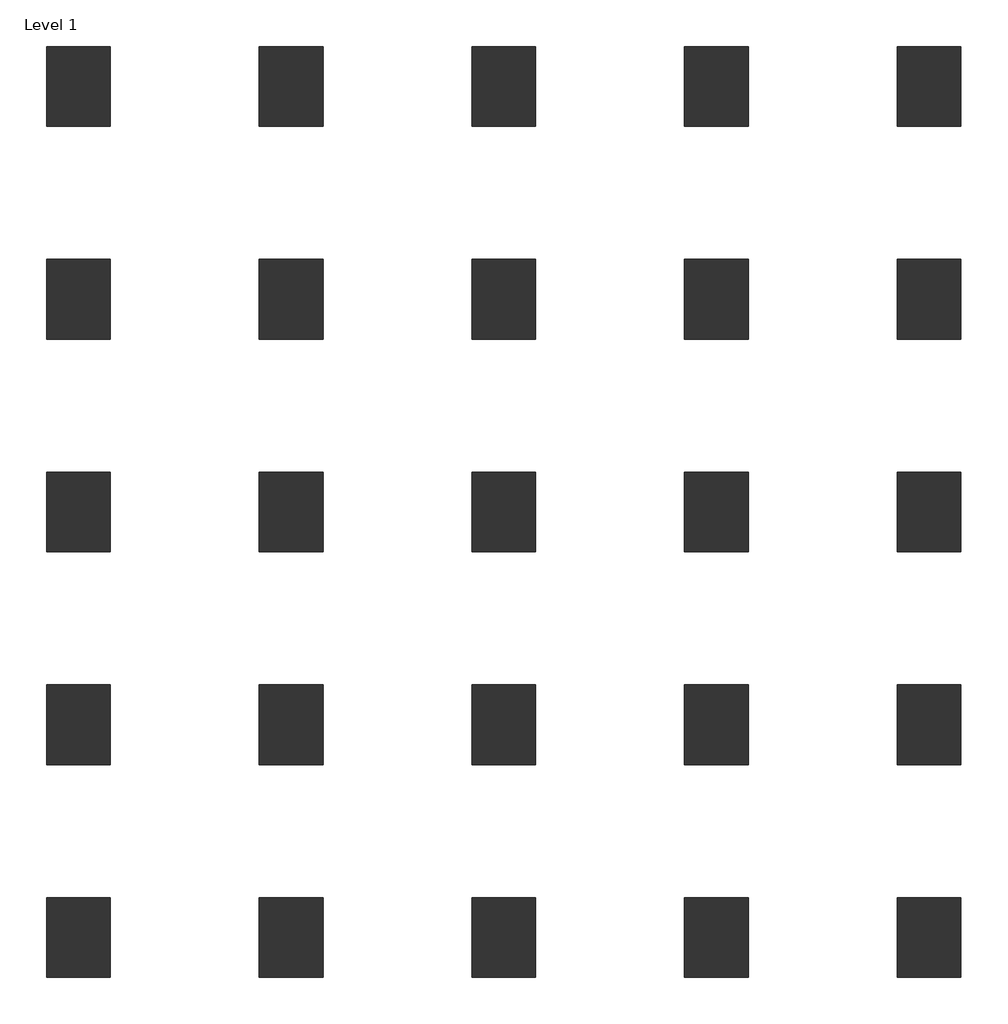
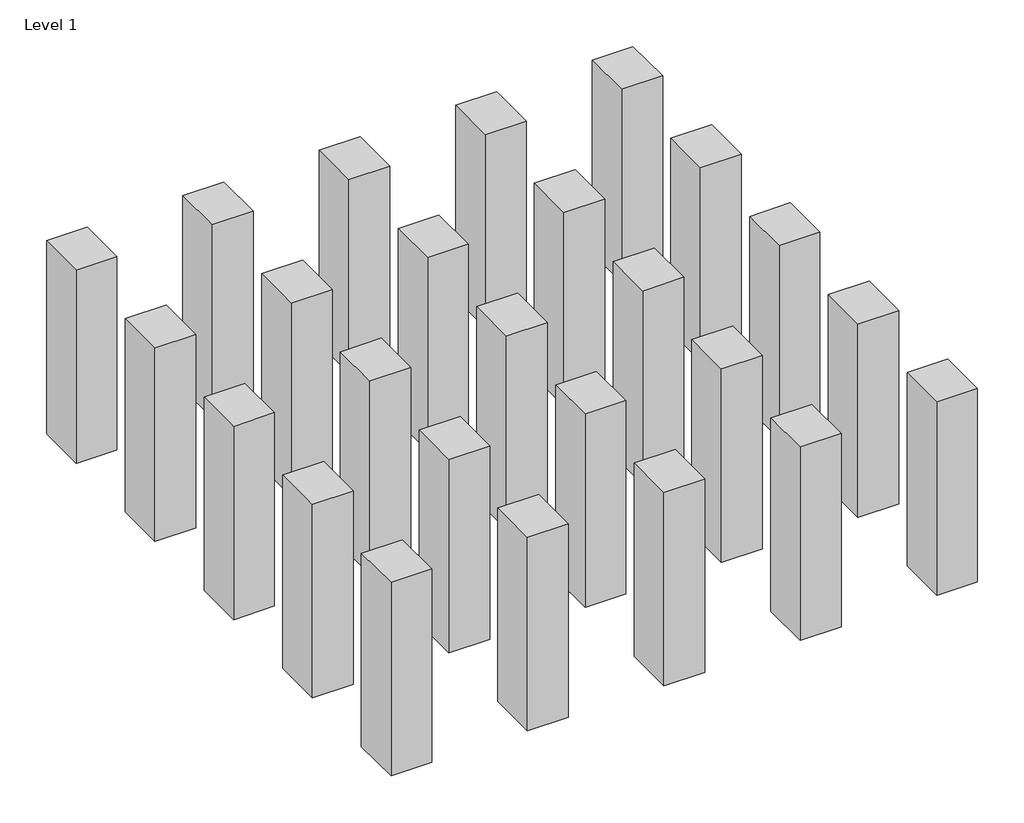
# One storey: 25 columns.
"""IFC4 building model written with IfcOpenShell, lengths in millimetres."""

from ifc_helpers import new_model, si_unit, origin, origin_with_axes, place, context, project, spatial, polyline, outline, extrude, element, save

model = new_model("IFC4")

# Units and contexts
model_context = context("Model", 3, world=origin())
ifc_project = project(units=[si_unit("LENGTHUNIT", "METRE", prefix="MILLI")], contexts=[model_context])

# Site, building, storey
site = spatial("IfcSite", under=ifc_project)
building = spatial("IfcBuilding", under=site)
storey = spatial("IfcBuildingStorey", under=building, Name="Level 1", Elevation=0.0)

# Columns
placement = place(None, origin())
element("IfcColumn", 1, ObjectType="M_Concrete-Rectangular-Column : 600 x 750mm", at=placement, inside=storey, context=model_context, shape_type="SweptSolid", body=[
    extrude(outline(polyline([(600.0, 8750.0), (600.0, 8000.0), (0.0, 8000.0), (0.0, 8750.0), (600.0, 8750.0)])), origin_with_axes(), (0.0, 0.0, 1.0), 3000.0),
])
element("IfcColumn", 2, ObjectType="M_Concrete-Rectangular-Column : 600 x 750mm", at=placement, inside=storey, context=model_context, shape_type="SweptSolid", body=[
    extrude(outline(polyline([(2600.0, 8750.0), (2600.0, 8000.0), (2000.0, 8000.0), (2000.0, 8750.0), (2600.0, 8750.0)])), origin_with_axes(), (0.0, 0.0, 1.0), 3000.0),
])
element("IfcColumn", 3, ObjectType="M_Concrete-Rectangular-Column : 600 x 750mm", at=placement, inside=storey, context=model_context, shape_type="SweptSolid", body=[
    extrude(outline(polyline([(4600.0, 8750.0), (4600.0, 8000.0), (4000.0, 8000.0), (4000.0, 8750.0), (4600.0, 8750.0)])), origin_with_axes(), (0.0, 0.0, 1.0), 3000.0),
])
element("IfcColumn", 4, ObjectType="M_Concrete-Rectangular-Column : 600 x 750mm", at=placement, inside=storey, context=model_context, shape_type="SweptSolid", body=[
    extrude(outline(polyline([(6600.0, 8750.0), (6600.0, 8000.0), (6000.0, 8000.0), (6000.0, 8750.0), (6600.0, 8750.0)])), origin_with_axes(), (0.0, 0.0, 1.0), 3000.0),
])
element("IfcColumn", 5, ObjectType="M_Concrete-Rectangular-Column : 600 x 750mm", at=placement, inside=storey, context=model_context, shape_type="SweptSolid", body=[
    extrude(outline(polyline([(8600.0, 8750.0), (8600.0, 8000.0), (8000.0, 8000.0), (8000.0, 8750.0), (8600.0, 8750.0)])), origin_with_axes(), (0.0, 0.0, 1.0), 3000.0),
])
element("IfcColumn", 6, ObjectType="M_Concrete-Rectangular-Column : 600 x 750mm", at=placement, inside=storey, context=model_context, shape_type="SweptSolid", body=[
    extrude(outline(polyline([(600.0, 6750.0), (600.0, 6000.0), (0.0, 6000.0), (0.0, 6750.0), (600.0, 6750.0)])), origin_with_axes(), (0.0, 0.0, 1.0), 3000.0),
])
element("IfcColumn", 7, ObjectType="M_Concrete-Rectangular-Column : 600 x 750mm", at=placement, inside=storey, context=model_context, shape_type="SweptSolid", body=[
    extrude(outline(polyline([(2600.0, 6750.0), (2600.0, 6000.0), (2000.0, 6000.0), (2000.0, 6750.0), (2600.0, 6750.0)])), origin_with_axes(), (0.0, 0.0, 1.0), 3000.0),
])
element("IfcColumn", 8, ObjectType="M_Concrete-Rectangular-Column : 600 x 750mm", at=placement, inside=storey, context=model_context, shape_type="SweptSolid", body=[
    extrude(outline(polyline([(4600.0, 6750.0), (4600.0, 6000.0), (4000.0, 6000.0), (4000.0, 6750.0), (4600.0, 6750.0)])), origin_with_axes(), (0.0, 0.0, 1.0), 3000.0),
])
element("IfcColumn", 9, ObjectType="M_Concrete-Rectangular-Column : 600 x 750mm", at=placement, inside=storey, context=model_context, shape_type="SweptSolid", body=[
    extrude(outline(polyline([(6600.0, 6750.0), (6600.0, 6000.0), (6000.0, 6000.0), (6000.0, 6750.0), (6600.0, 6750.0)])), origin_with_axes(), (0.0, 0.0, 1.0), 3000.0),
])
element("IfcColumn", 10, ObjectType="M_Concrete-Rectangular-Column : 600 x 750mm", at=placement, inside=storey, context=model_context, shape_type="SweptSolid", body=[
    extrude(outline(polyline([(8600.0, 6750.0), (8600.0, 6000.0), (8000.0, 6000.0), (8000.0, 6750.0), (8600.0, 6750.0)])), origin_with_axes(), (0.0, 0.0, 1.0), 3000.0),
])
element("IfcColumn", 11, ObjectType="M_Concrete-Rectangular-Column : 600 x 750mm", at=placement, inside=storey, context=model_context, shape_type="SweptSolid", body=[
    extrude(outline(polyline([(600.0, 4750.0), (600.0, 4000.0), (0.0, 4000.0), (0.0, 4750.0), (600.0, 4750.0)])), origin_with_axes(), (0.0, 0.0, 1.0), 3000.0),
])
element("IfcColumn", 12, ObjectType="M_Concrete-Rectangular-Column : 600 x 750mm", at=placement, inside=storey, context=model_context, shape_type="SweptSolid", body=[
    extrude(outline(polyline([(2600.0, 4750.0), (2600.0, 4000.0), (2000.0, 4000.0), (2000.0, 4750.0), (2600.0, 4750.0)])), origin_with_axes(), (0.0, 0.0, 1.0), 3000.0),
])
element("IfcColumn", 13, ObjectType="M_Concrete-Rectangular-Column : 600 x 750mm", at=placement, inside=storey, context=model_context, shape_type="SweptSolid", body=[
    extrude(outline(polyline([(4600.0, 4750.0), (4600.0, 4000.0), (4000.0, 4000.0), (4000.0, 4750.0), (4600.0, 4750.0)])), origin_with_axes(), (0.0, 0.0, 1.0), 3000.0),
])
element("IfcColumn", 14, ObjectType="M_Concrete-Rectangular-Column : 600 x 750mm", at=placement, inside=storey, context=model_context, shape_type="SweptSolid", body=[
    extrude(outline(polyline([(6600.0, 4750.0), (6600.0, 4000.0), (6000.0, 4000.0), (6000.0, 4750.0), (6600.0, 4750.0)])), origin_with_axes(), (0.0, 0.0, 1.0), 3000.0),
])
element("IfcColumn", 15, ObjectType="M_Concrete-Rectangular-Column : 600 x 750mm", at=placement, inside=storey, context=model_context, shape_type="SweptSolid", body=[
    extrude(outline(polyline([(8600.0, 4750.0), (8600.0, 4000.0), (8000.0, 4000.0), (8000.0, 4750.0), (8600.0, 4750.0)])), origin_with_axes(), (0.0, 0.0, 1.0), 3000.0),
])
element("IfcColumn", 16, ObjectType="M_Concrete-Rectangular-Column : 600 x 750mm", at=placement, inside=storey, context=model_context, shape_type="SweptSolid", body=[
    extrude(outline(polyline([(600.0, 2750.0), (600.0, 2000.0), (0.0, 2000.0), (0.0, 2750.0), (600.0, 2750.0)])), origin_with_axes(), (0.0, 0.0, 1.0), 3000.0),
])
element("IfcColumn", 17, ObjectType="M_Concrete-Rectangular-Column : 600 x 750mm", at=placement, inside=storey, context=model_context, shape_type="SweptSolid", body=[
    extrude(outline(polyline([(2600.0, 2750.0), (2600.0, 2000.0), (2000.0, 2000.0), (2000.0, 2750.0), (2600.0, 2750.0)])), origin_with_axes(), (0.0, 0.0, 1.0), 3000.0),
])
element("IfcColumn", 18, ObjectType="M_Concrete-Rectangular-Column : 600 x 750mm", at=placement, inside=storey, context=model_context, shape_type="SweptSolid", body=[
    extrude(outline(polyline([(4600.0, 2750.0), (4600.0, 2000.0), (4000.0, 2000.0), (4000.0, 2750.0), (4600.0, 2750.0)])), origin_with_axes(), (0.0, 0.0, 1.0), 3000.0),
])
element("IfcColumn", 19, ObjectType="M_Concrete-Rectangular-Column : 600 x 750mm", at=placement, inside=storey, context=model_context, shape_type="SweptSolid", body=[
    extrude(outline(polyline([(6600.0, 2750.0), (6600.0, 2000.0), (6000.0, 2000.0), (6000.0, 2750.0), (6600.0, 2750.0)])), origin_with_axes(), (0.0, 0.0, 1.0), 3000.0),
])
element("IfcColumn", 20, ObjectType="M_Concrete-Rectangular-Column : 600 x 750mm", at=placement, inside=storey, context=model_context, shape_type="SweptSolid", body=[
    extrude(outline(polyline([(8600.0, 2750.0), (8600.0, 2000.0), (8000.0, 2000.0), (8000.0, 2750.0), (8600.0, 2750.0)])), origin_with_axes(), (0.0, 0.0, 1.0), 3000.0),
])
element("IfcColumn", 21, ObjectType="M_Concrete-Rectangular-Column : 600 x 750mm", at=placement, inside=storey, context=model_context, shape_type="SweptSolid", body=[
    extrude(outline(polyline([(600.0, 750.0), (600.0, 0.0), (0.0, 0.0), (0.0, 750.0), (600.0, 750.0)])), origin_with_axes(), (0.0, 0.0, 1.0), 3000.0),
])
element("IfcColumn", 22, ObjectType="M_Concrete-Rectangular-Column : 600 x 750mm", at=placement, inside=storey, context=model_context, shape_type="SweptSolid", body=[
    extrude(outline(polyline([(2600.0, 750.0), (2600.0, 0.0), (2000.0, 0.0), (2000.0, 750.0), (2600.0, 750.0)])), origin_with_axes(), (0.0, 0.0, 1.0), 3000.0),
])
element("IfcColumn", 23, ObjectType="M_Concrete-Rectangular-Column : 600 x 750mm", at=placement, inside=storey, context=model_context, shape_type="SweptSolid", body=[
    extrude(outline(polyline([(4600.0, 750.0), (4600.0, 0.0), (4000.0, 0.0), (4000.0, 750.0), (4600.0, 750.0)])), origin_with_axes(), (0.0, 0.0, 1.0), 3000.0),
])
element("IfcColumn", 24, ObjectType="M_Concrete-Rectangular-Column : 600 x 750mm", at=placement, inside=storey, context=model_context, shape_type="SweptSolid", body=[
    extrude(outline(polyline([(6600.0, 750.0), (6600.0, 0.0), (6000.0, 0.0), (6000.0, 750.0), (6600.0, 750.0)])), origin_with_axes(), (0.0, 0.0, 1.0), 3000.0),
])
element("IfcColumn", 25, ObjectType="M_Concrete-Rectangular-Column : 600 x 750mm", at=placement, inside=storey, context=model_context, shape_type="SweptSolid", body=[
    extrude(outline(polyline([(8600.0, 750.0), (8600.0, 0.0), (8000.0, 0.0), (8000.0, 750.0), (8600.0, 750.0)])), origin_with_axes(), (0.0, 0.0, 1.0), 3000.0),
])

save(model, "model.ifc")
